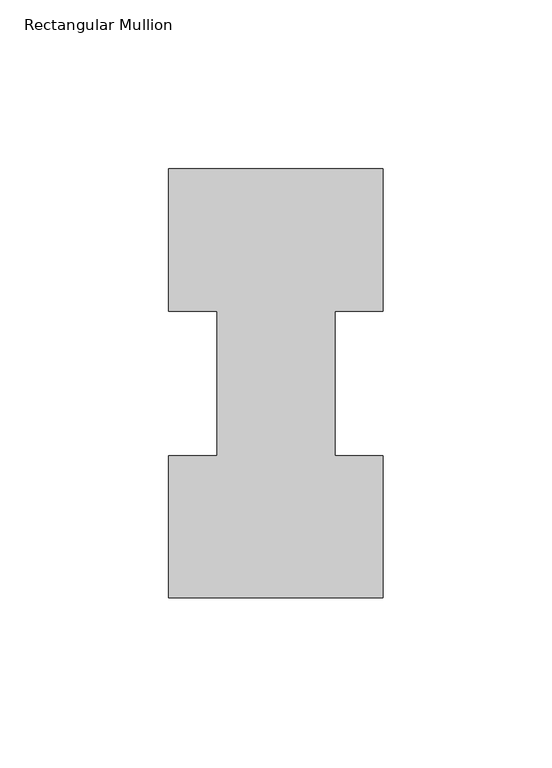
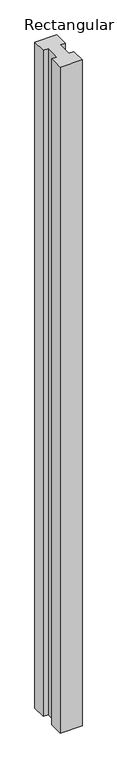
"""IFC4 building model written with IfcOpenShell, lengths in millimetres: member geometry, Rectangular Mullion."""

import ifcopenshell
import ifcopenshell.guid

model = None  # the IFC model being written
_history = None  # IfcOwnerHistory: only IFC2X3 demands one
_inside = {}  # id of a spatial element -> (the spatial element, [elements in it])
_under = {}  # id of a project, library or spatial element -> (it, [spatial elements below it])
_declared = {}  # id of a project -> (the project, [libraries it declares])
_typed = {}  # id of a type object -> (the type object, [elements of that type])
_made_of = {}  # id of a material, layer set ... -> (it, [elements and type objects made of it])


def new_model(schema):
    """Start an empty IFC model of exactly this schema.

    Asked for "IFC4X3", IfcOpenShell would pick the latest addendum, in which some entities
    have other attributes; the version numbers below select the first issue.
    IFC2X3 requires an IfcOwnerHistory on every rooted entity: one is made here for all.
    """
    global model, _history
    if schema == "IFC4X3":
        model = ifcopenshell.file(schema_version=(4, 3, 0, 0))
    else:
        model = ifcopenshell.file(schema=schema)
    _inside.clear()
    _under.clear()
    _declared.clear()
    _typed.clear()
    _made_of.clear()
    _history = None
    if model.schema == "IFC2X3":
        org = make("IfcOrganization", Name="unknown")
        user = make(
            "IfcPersonAndOrganization",
            ThePerson=make("IfcPerson", FamilyName="unknown"),
            TheOrganization=org,
        )
        app = make(
            "IfcApplication",
            ApplicationDeveloper=org,
            Version="unknown",
            ApplicationFullName="unknown",
            ApplicationIdentifier="unknown",
        )
        _history = make(
            "IfcOwnerHistory",
            OwningUser=user,
            OwningApplication=app,
            ChangeAction="ADDED",
            CreationDate=0,
        )
    return model


def make(cls, **values):
    """One entity of the class cls with the attributes given. An attribute that is None is left unset."""
    return model.create_entity(
        cls, **{name: value for name, value in values.items() if value is not None}
    )


def rooted(cls, **values):
    """An entity with a GlobalId (a new one), such as an element, a storey or a relation."""
    return make(cls, GlobalId=ifcopenshell.guid.new(), OwnerHistory=_history, **values)


def si_unit(unit_type, name, prefix=None):
    """IfcSIUnit, for example si_unit("LENGTHUNIT", "METRE", prefix="MILLI")."""
    return make("IfcSIUnit", UnitType=unit_type, Prefix=prefix, Name=name)


def assignment(units):
    """IfcUnitAssignment: the units of a project."""
    return None if units is None else make("IfcUnitAssignment", Units=units)


def point(xyz):
    """IfcCartesianPoint."""
    return None if xyz is None else make("IfcCartesianPoint", Coordinates=xyz)


def direction(xyz):
    """IfcDirection."""
    return None if xyz is None else make("IfcDirection", DirectionRatios=xyz)


def frame(location, z_axis=None, x_axis=None):
    """IfcAxis2Placement3D, a coordinate frame: its origin and axes. An axis left out is left unset."""
    return make(
        "IfcAxis2Placement3D",
        Location=point(location),
        Axis=direction(z_axis),
        RefDirection=direction(x_axis),
    )


def origin():
    """The frame at (0, 0, 0) with its axes left unset."""
    return frame((0.0, 0.0, 0.0))


def place(relative_to, where):
    """IfcLocalPlacement: puts the frame where relative to a parent placement (None: the world)."""
    return make(
        "IfcLocalPlacement", PlacementRelTo=relative_to, RelativePlacement=where
    )


def context(
    kind, dimensions, precision=None, world=None, true_north=None, identifier=None
):
    """IfcGeometricRepresentationContext, for example the 3D "Model" context."""
    return make(
        "IfcGeometricRepresentationContext",
        ContextIdentifier=identifier,
        ContextType=kind,
        CoordinateSpaceDimension=dimensions,
        Precision=precision,
        WorldCoordinateSystem=world,
        TrueNorth=true_north,
    )


def project(units=None, contexts=None):
    """IfcProject with its units and contexts."""
    return rooted(
        "IfcProject",
        Name="project",
        RepresentationContexts=contexts,
        UnitsInContext=assignment(units),
    )


def spatial(cls, under=None, at=None, **own):
    """A site, building, storey or space (cls), placed at a placement, below another one or the project."""
    s = rooted(cls, ObjectPlacement=at, **own)
    if under is not None:
        _under.setdefault(under.id(), (under, []))[1].append(s)
    return s


def polyline(points):
    """IfcPolyline through the points."""
    return make("IfcPolyline", Points=[point(p) for p in points])


def outline(outer, holes=None, kind="AREA"):
    """IfcArbitraryClosedProfileDef: a profile drawn as a closed curve; with holes, ...WithVoids."""
    if holes is None:
        return make("IfcArbitraryClosedProfileDef", ProfileType=kind, OuterCurve=outer)
    return make(
        "IfcArbitraryProfileDefWithVoids",
        ProfileType=kind,
        OuterCurve=outer,
        InnerCurves=holes,
    )


def extrude(swept, where, along, depth):
    """IfcExtrudedAreaSolid: the profile swept, set in the frame where, extruded along a direction by depth."""
    return make(
        "IfcExtrudedAreaSolid",
        SweptArea=swept,
        Position=where,
        ExtrudedDirection=direction(along),
        Depth=depth,
    )


def shape(context_of_items, identifier, shape_type, items):
    """IfcShapeRepresentation: the items that make up one representation, for example the "Body"."""
    return make(
        "IfcShapeRepresentation",
        ContextOfItems=context_of_items,
        RepresentationIdentifier=identifier,
        RepresentationType=shape_type,
        Items=items,
    )


def source(mapping_origin, context_of_items, identifier, shape_type, items):
    """IfcRepresentationMap: a shape defined once, which mapped items show again and again."""
    return make(
        "IfcRepresentationMap",
        MappingOrigin=mapping_origin,
        MappedRepresentation=shape(context_of_items, identifier, shape_type, items),
    )


def transform(
    local_origin,
    x_axis=None,
    y_axis=None,
    z_axis=None,
    scale=None,
    scale2=None,
    scale3=None,
    uniform=True,
):
    """IfcCartesianTransformationOperator3D, or its non-uniform kind. x_axis, y_axis, z_axis: its Axis1, 2, 3."""
    if uniform:
        return make(
            "IfcCartesianTransformationOperator3D",
            Axis1=direction(x_axis),
            Axis2=direction(y_axis),
            LocalOrigin=point(local_origin),
            Scale=scale,
            Axis3=direction(z_axis),
        )
    return make(
        "IfcCartesianTransformationOperator3DnonUniform",
        Axis1=direction(x_axis),
        Axis2=direction(y_axis),
        LocalOrigin=point(local_origin),
        Scale=scale,
        Axis3=direction(z_axis),
        Scale2=scale2,
        Scale3=scale3,
    )


def mapped(mapping_source, mapping_target):
    """IfcMappedItem: shows the shape of a source again, moved by a transform."""
    return make(
        "IfcMappedItem", MappingSource=mapping_source, MappingTarget=mapping_target
    )


def made_of(thing, what):
    """Note that an element or type object is made of a material, layer set ...; save() writes the relation."""
    if what is not None:
        _made_of.setdefault(what.id(), (what, []))[1].append(thing)
    return thing


def element(
    cls,
    number,
    at=None,
    inside=None,
    cuts=None,
    type_object=None,
    material=None,
    context=None,
    identifier="Body",
    shape_type=None,
    held_by="IfcProductDefinitionShape",
    body=None,
    shapes=None,
    **own,
):
    """One element of the class cls, such as IfcWall. Its Tag is "e" and its number.

    at: its placement. inside: the storey or other place that contains it. cuts: it is an
    opening in that element (IfcRelVoidsElement). A single representation is given by context,
    identifier, shape_type and body (its items); several are given by shapes. held_by: the class
    of the entity that holds the representations. save() writes the other relations.
    """
    e = rooted(cls, Tag="e%d" % number, ObjectPlacement=at, **own)
    if body is not None:
        shapes = [shape(context, identifier, shape_type, body)]
    if shapes is not None:
        e.Representation = make(held_by, Representations=shapes)
    if inside is not None:
        _inside.setdefault(inside.id(), (inside, []))[1].append(e)
    if cuts is not None:
        rooted(
            "IfcRelVoidsElement", RelatingBuildingElement=cuts, RelatedOpeningElement=e
        )
    if type_object is not None:
        _typed.setdefault(type_object.id(), (type_object, []))[1].append(e)
    return made_of(e, material)


def aggregate(whole, parts):
    """IfcRelAggregates: a whole, such as a stair, and the parts it consists of."""
    return rooted("IfcRelAggregates", RelatingObject=whole, RelatedObjects=parts)


def save(model, path):
    """Write the relations noted so far, then the file.

    IfcRelAggregates (storeys below a building ...), IfcRelContainedInSpatialStructure (elements
    in a storey), IfcRelDefinesByType, IfcRelAssociatesMaterial and IfcRelDeclares: one each for
    every whole, place, type object, material and project.
    """
    for whole, parts in _under.values():
        aggregate(whole, parts)
    for where, things in _inside.values():
        rooted(
            "IfcRelContainedInSpatialStructure",
            RelatedElements=things,
            RelatingStructure=where,
        )
    for kind, things in _typed.values():
        rooted("IfcRelDefinesByType", RelatedObjects=things, RelatingType=kind)
    for what, things in _made_of.values():
        rooted("IfcRelAssociatesMaterial", RelatedObjects=things, RelatingMaterial=what)
    for by, libraries in _declared.values():
        rooted("IfcRelDeclares", RelatingContext=by, RelatedDefinitions=libraries)
    model.write(path)


def rectangular_mullion_fb6e61ca(model_context):
    return source(origin(), model_context, "Body", "SweptSolid", [
        extrude(outline(polyline([(-31.75, 127.00635), (31.75, 127.00635), (31.75, 84.93125), (17.4625, 84.93125), (17.4625, 42.08145), (31.75, 42.08145), (31.75, 0.00635), (-31.75, 0.00635), (-31.75, 42.08145), (-17.4625, 42.08145), (-17.4625, 84.93125), (-31.75, 84.93125), (-31.75, 127.00635)])), frame((0.0, 0.0, -2044.7177772), z_axis=(0.0, 0.0, 1.0), x_axis=(1.0, 0.0, 0.0)), (0.0, 0.0, 1.0), 2044.7177772),
    ])


if __name__ == "__main__":
    model = new_model("IFC4")
    model_context = context("Model", 3, world=origin())
    ifc_project = project(units=[si_unit("LENGTHUNIT", "METRE", prefix="MILLI")], contexts=[model_context])
    site = spatial("IfcSite", under=ifc_project)
    building = spatial("IfcBuilding", under=site)
    placement = place(None, origin())
    rectangular_mullion_shape = rectangular_mullion_fb6e61ca(model_context)
    element("IfcMember", 1, ObjectType="Rectangular Mullion", at=placement, inside=building, context=model_context, shape_type="MappedRepresentation", body=[
        mapped(rectangular_mullion_shape, transform((0.0, 0.0, 0.0), x_axis=(1.0, 0.0, 0.0), y_axis=(0.0, 1.0, 0.0), z_axis=(0.0, 0.0, 1.0))),
    ])
    save(model, "model.ifc")
